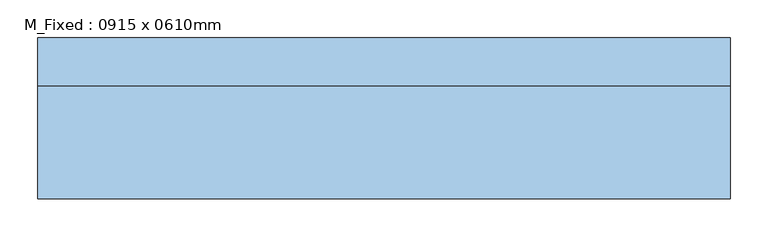
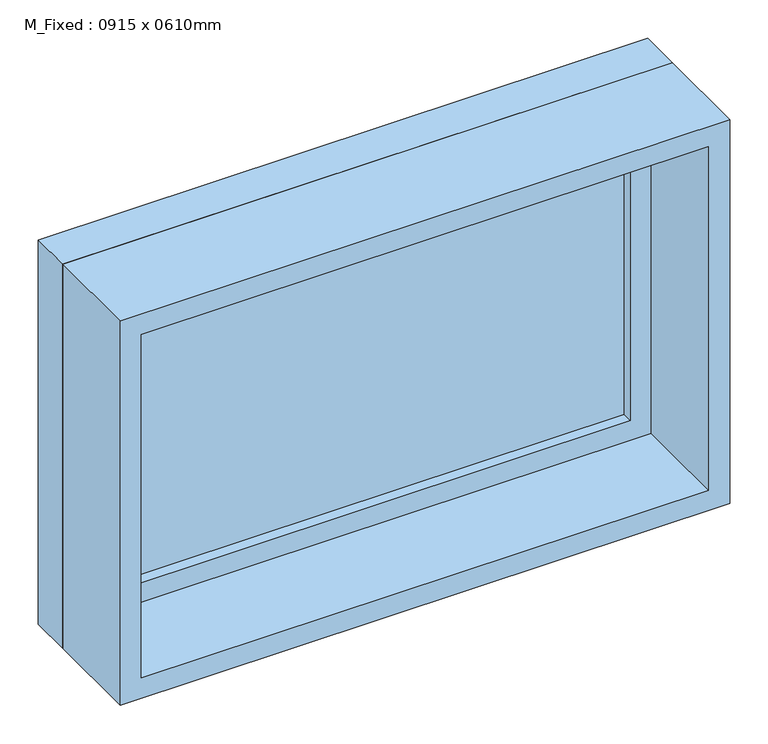
"""IFC4 building model written with IfcOpenShell, lengths in millimetres: window geometry, M_Fixed : 0915 x 0610mm."""

from ifc_helpers import new_model, si_unit, frame, origin, place, context, project, spatial, polyline, outline, extrude, source, transform, mapped, element, save


def m_fixed_0915_x_0610mm_5634e34a(model_context):
    return source(origin(), model_context, "Body", "SweptSolid", [
        extrude(outline(polyline([(-394.5, 84.25), (394.5, 84.25), (394.5, 72.25), (-394.5, 72.25), (-394.5, 84.25)])), frame((0.0, 0.0, 978.0), z_axis=(0.0, 0.0, 1.0), x_axis=(1.0, 0.0, 0.0)), (0.0, 0.0, 1.0), 484.0),
        extrude(outline(polyline([(1506.0, -438.5), (934.0, -438.5), (934.0, 438.5), (1506.0, 438.5), (1506.0, -438.5)]), holes=[polyline([(1462.0, -394.5), (1462.0, 394.5), (978.0, 394.5), (978.0, -394.5), (1462.0, -394.5)])]), frame((0.0, 56.25, 0.0), z_axis=(0.0, 1.0, 0.0), x_axis=(0.0, 0.0, 1.0)), (0.0, 0.0, 1.0), 44.0),
        extrude(outline(polyline([(1525.0, -457.5), (915.0, -457.5), (915.0, 457.5), (1525.0, 457.5), (1525.0, -457.5)]), holes=[polyline([(1506.0, -438.5), (1506.0, 438.5), (934.0, 438.5), (934.0, -438.5), (1506.0, -438.5)])]), frame((0.0, 56.25, 0.0), z_axis=(0.0, 1.0, 0.0), x_axis=(0.0, 0.0, 1.0)), (0.0, 0.0, 1.0), 63.0),
        extrude(outline(polyline([(1525.0, -457.5), (915.0, -457.5), (915.0, 457.5), (1525.0, 457.5), (1525.0, -457.5)]), holes=[polyline([(1493.0, -425.5), (1493.0, 425.5), (947.0, 425.5), (947.0, -425.5), (1493.0, -425.5)])]), frame((0.0, -93.25, 0.0), z_axis=(0.0, 1.0, 0.0), x_axis=(0.0, 0.0, 1.0)), (0.0, 0.0, 1.0), 149.5),
    ])


if __name__ == "__main__":
    model = new_model("IFC4")
    model_context = context("Model", 3, world=origin())
    ifc_project = project(units=[si_unit("LENGTHUNIT", "METRE", prefix="MILLI")], contexts=[model_context])
    site = spatial("IfcSite", under=ifc_project)
    building = spatial("IfcBuilding", under=site)
    placement = place(None, origin())
    m_fixed_0915_x_0610mm_shape = m_fixed_0915_x_0610mm_5634e34a(model_context)
    element("IfcWindow", 1, ObjectType="M_Fixed : 0915 x 0610mm", at=placement, inside=building, context=model_context, shape_type="MappedRepresentation", body=[
        mapped(m_fixed_0915_x_0610mm_shape, transform((0.0, 0.0, 0.0), x_axis=(1.0, 0.0, 0.0), y_axis=(0.0, 1.0, 0.0), z_axis=(0.0, 0.0, 1.0))),
    ])
    save(model, "model.ifc")
